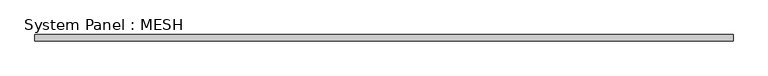
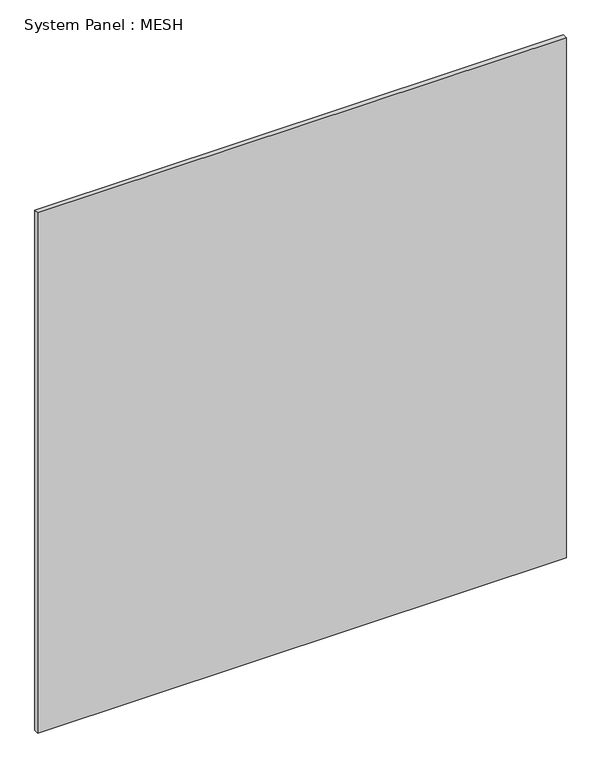
"""IFC4 building model written with IfcOpenShell, lengths in millimetres: plate geometry, System Panel : MESH."""

from ifc_helpers import new_model, si_unit, origin, origin_with_axes, place, context, project, spatial, polyline, outline, extrude, source, transform, mapped, element, save


def system_panel_mesh_7c7588d7(model_context):
    return source(origin(), model_context, "Body", "SweptSolid", [
        extrude(outline(polyline([(1375.0095333, -12.5), (-1375.0095333, -12.5), (-1375.0095333, 12.5), (1375.0095333, 12.5), (1375.0095333, -12.5)])), origin_with_axes(), (0.0, 0.0, 1.0), 2860.0),
    ])


if __name__ == "__main__":
    model = new_model("IFC4")
    model_context = context("Model", 3, world=origin())
    ifc_project = project(units=[si_unit("LENGTHUNIT", "METRE", prefix="MILLI")], contexts=[model_context])
    site = spatial("IfcSite", under=ifc_project)
    building = spatial("IfcBuilding", under=site)
    placement = place(None, origin())
    system_panel_mesh_shape = system_panel_mesh_7c7588d7(model_context)
    element("IfcPlate", 1, ObjectType="System Panel : MESH", at=placement, inside=building, context=model_context, shape_type="MappedRepresentation", body=[
        mapped(system_panel_mesh_shape, transform((0.0, 0.0, 0.0), x_axis=(1.0, 0.0, 0.0), y_axis=(0.0, 1.0, 0.0), z_axis=(0.0, 0.0, 1.0))),
    ])
    save(model, "model.ifc")
